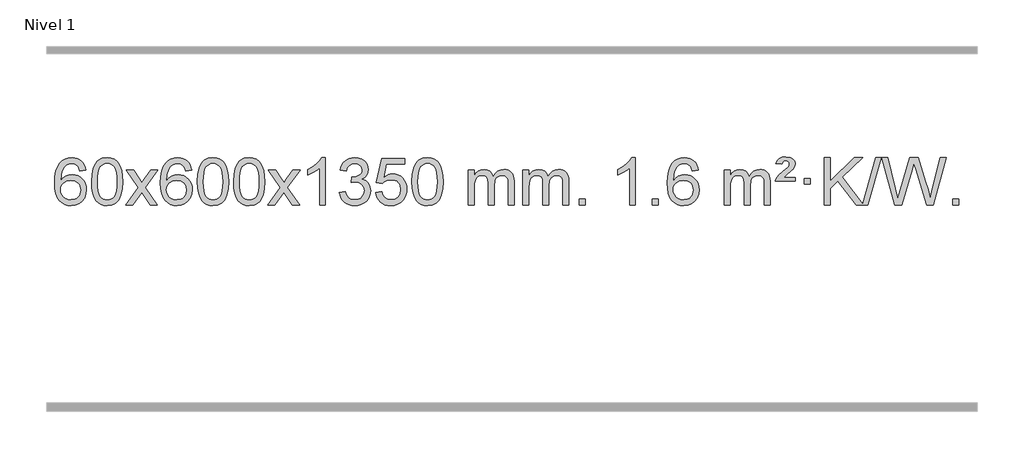
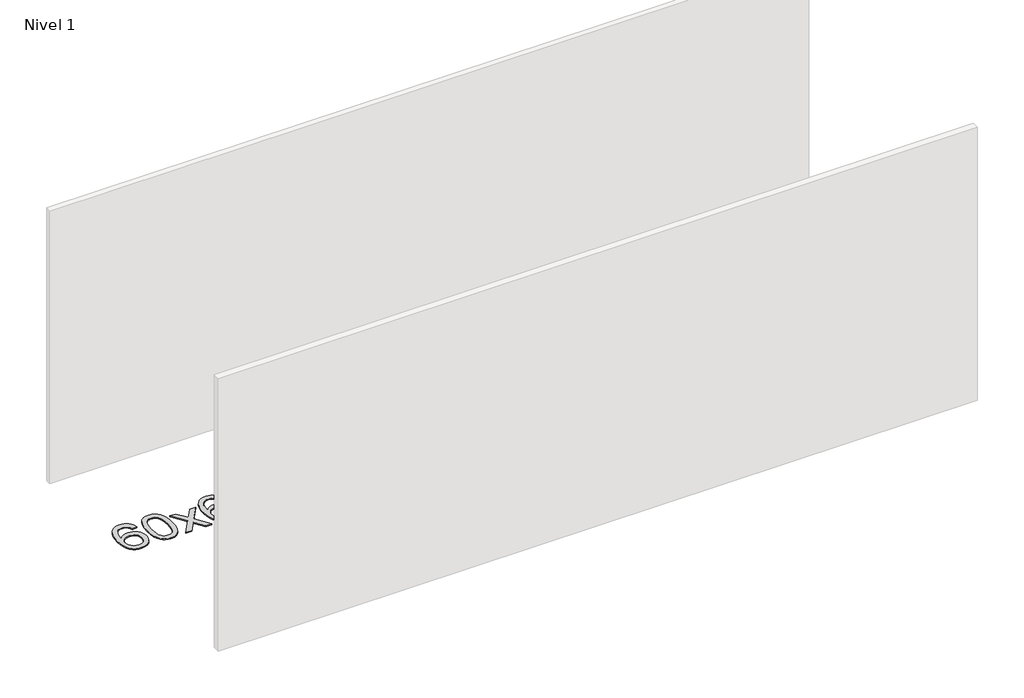
# One storey, part 17 of 21: 1 proxy.
"""IFC4 building model written with IfcOpenShell, lengths in millimetres."""

from ifc_helpers import new_model, si_unit, origin, origin_with_axes, place, context, project, spatial, polyline, outline, extrude, element, save

model = new_model("IFC4")

# Units and contexts
model_context = context("Model", 3, world=origin())
ifc_project = project(units=[si_unit("LENGTHUNIT", "METRE", prefix="MILLI")], contexts=[model_context])

# Site, building, storey
site = spatial("IfcSite", under=ifc_project)
building = spatial("IfcBuilding", under=site)
storey = spatial("IfcBuildingStorey", under=building, Name="Nivel 1", Elevation=0.0)

# Proxy
placement = place(None, origin())
element("IfcBuildingElementProxy", 1, Name="Texto de modelo 1", ObjectType="Texto de modelo 1", at=placement, inside=storey, context=model_context, shape_type="SweptSolid", body=[
    extrude(outline(polyline([(101.2495843, -6100.4890419), (51.0214292, -6106.7675613), (42.9280253, -6081.874213), (31.9896673, -6064.8780648), (9.2055091, -6049.2062918), (-18.3365896, -6043.9823675), (-41.6848336, -6047.0235253), (-63.6596514, -6056.1469988), (-82.5319978, -6075.3627017), (-97.9462534, -6101.8134171), (-108.3573138, -6139.227016), (-112.2200748, -6191.3313693), (-92.0724042, -6167.8237098), (-67.9270826, -6151.2567573), (-41.1330106, -6141.434308), (-13.0390889, -6138.1601582), (11.09397, -6140.398107), (33.3630935, -6147.1119534), (53.7682815, -6158.3016975), (72.309534, -6173.9673391), (87.7176582, -6193.1769106), (98.7234613, -6214.9984443), (105.3269431, -6239.4319401), (107.5281037, -6266.4773982), (103.3832999, -6302.4439945), (90.9488884, -6335.786366), (71.254939, -6364.0642287), (45.331521, -6384.8372987), (14.355857, -6397.602804), (-20.4948306, -6401.8579724), (-50.4373594, -6399.0375437), (-77.4797517, -6390.5762579), (-101.6220076, -6376.4741147), (-122.8641272, -6356.7311143), (-140.1821721, -6330.5133908), (-152.5522042, -6296.9870783), (-159.9742234, -6256.1521768), (-162.4482298, -6208.0086864), (-159.7013776, -6154.0342663), (-151.4608209, -6107.9693092), (-137.7265598, -6069.8138149), (-118.4985942, -6039.5677835), (-97.6580791, -6019.5243462), (-73.4943634, -6005.2076052), (-46.007447, -5996.6175606), (-15.1973299, -5993.7542124), (7.9363162, -5995.5261773), (28.8749331, -6000.8420722), (47.6185208, -6009.7018969), (64.1670792, -6022.1056515), (78.0730186, -6037.6364031), (88.8887493, -6055.8772186), (96.6142712, -6076.8280983), (101.2495843, -6100.4890419)]), holes=[polyline([(-112.2200748, -6265.6925832), (-109.313807, -6287.9494439), (-100.5950037, -6309.2007605), (-87.0569463, -6327.472233), (-69.6929161, -6340.7895612), (-48.7359051, -6348.9197533), (-24.4189053, -6351.6298173), (8.7272625, -6346.0134855), (22.642399, -6338.9930708), (34.7855705, -6329.1644901), (44.6356109, -6316.9262824), (51.6713541, -6302.6769865), (57.2999486, -6268.1451299), (51.7449305, -6234.9989621), (44.8011578, -6221.3781312), (35.0798761, -6209.725469), (22.8999164, -6200.3904634), (8.5801097, -6193.7226022), (-26.4790444, -6188.3883133), (-59.5761613, -6193.7226022), (-87.25315, -6209.725469), (-98.1761796, -6221.2248471), (-105.9783436, -6234.3858254), (-110.659642, -6249.2084042), (-112.2200748, -6265.6925832)])]), origin_with_axes(), (0.0, 0.0, 1.0), 10.0),
    extrude(outline(polyline([(151.4777394, -6197.9041943), (155.1688221, -6133.5861588), (166.2420701, -6082.2911459), (184.5871189, -6043.2343407), (196.4451819, -6028.0009605), (210.0936039, -6015.6309284), (225.5783702, -6006.0598651), (242.9454661, -5999.2233914), (283.3266464, -5993.7542124), (314.277785, -5996.991574), (341.9915619, -6006.7036586), (365.1681276, -6022.5103217), (382.5076323, -6044.0314184), (395.6042314, -6071.0830078), (406.05208, -6103.4811488), (412.8946851, -6144.6226186), (415.1755535, -6197.9041943), (411.521259, -6261.8543477), (400.5583756, -6313.0267333), (382.3236913, -6352.1203266), (370.4932195, -6367.3996922), (356.8539945, -6379.8341036), (341.3508341, -6389.4695462), (323.928556, -6396.3520052), (283.3266464, -6401.8579724), (255.6619204, -6399.4667394), (231.1364541, -6392.2930405), (209.7502474, -6380.3368757), (191.5033004, -6363.5982449), (173.9921175, -6333.3399508), (161.4841296, -6295.6381776), (153.9793369, -6250.4929255), (151.4777394, -6197.9041943)]), holes=[polyline([(201.7058944, -6197.8060924), (203.1774224, -6241.4706195), (207.5920064, -6276.8148822), (214.9496463, -6303.8388804), (225.2503421, -6322.5426142), (237.709279, -6335.2682656), (251.5416421, -6344.3580165), (266.7474312, -6349.8118671), (283.3266464, -6351.6298173), (299.9058617, -6349.8057357), (315.1116508, -6344.3334911), (328.9440138, -6335.2130833), (341.4029507, -6322.4445124), (351.7036466, -6303.7101217), (359.0612865, -6276.6922549), (363.4758705, -6241.3909118), (364.9473984, -6197.8060924), (363.5249214, -6155.2973278), (359.2574902, -6120.5753989), (352.145105, -6093.6403055), (342.1877657, -6074.4920476), (329.9372952, -6061.1440625), (315.9455167, -6051.6097875), (300.21243, -6045.8892225), (282.7380352, -6043.9823675), (266.2446591, -6045.6623619), (251.2963874, -6050.7023452), (237.89322, -6059.1023175), (226.0351571, -6070.8622786), (215.3911047, -6091.708925), (207.7882101, -6119.8151094), (203.2264734, -6155.1808319), (201.7058944, -6197.8060924)])]), origin_with_axes(), (0.0, 0.0, 1.0), 10.0),
    extrude(outline(polyline([(440.2896311, -6395.579453), (547.6130718, -6247.2494325), (446.5681504, -6100.4890419), (506.9988995, -6100.4890419), (555.7555266, -6171.122385), (578.5151594, -6204.4770192), (598.2336343, -6177.2047007), (653.7592901, -6100.4890419), (714.1900392, -6100.4890419), (608.0438209, -6247.2494325), (710.2659646, -6395.579453), (649.8352155, -6395.579453), (588.3253459, -6306.4048574), (577.0436314, -6290.1199477), (500.7203801, -6395.579453), (440.2896311, -6395.579453)])), origin_with_axes(), (0.0, 0.0, 1.0), 10.0),
    extrude(outline(polyline([(999.0778563, -6100.4890419), (948.8497012, -6106.7675613), (940.7562973, -6081.874213), (929.8179393, -6064.8780648), (907.0337811, -6049.2062918), (879.4916824, -6043.9823675), (856.1434384, -6047.0235253), (834.1686206, -6056.1469988), (815.2962742, -6075.3627017), (799.8820186, -6101.8134171), (789.4709581, -6139.227016), (785.6081972, -6191.3313693), (805.7558678, -6167.8237098), (829.9011894, -6151.2567573), (856.6952614, -6141.434308), (884.7891831, -6138.1601582), (908.922242, -6140.398107), (931.1913654, -6147.1119534), (951.5965534, -6158.3016975), (970.137806, -6173.9673391), (985.5459302, -6193.1769106), (996.5517332, -6214.9984443), (1003.155215, -6239.4319401), (1005.3563756, -6266.4773982), (1001.2115718, -6302.4439945), (988.7771604, -6335.786366), (969.0832109, -6364.0642287), (943.159793, -6384.8372987), (912.184129, -6397.602804), (877.3334413, -6401.8579724), (847.3909126, -6399.0375437), (820.3485203, -6390.5762579), (796.2062643, -6376.4741147), (774.9641448, -6356.7311143), (757.6460999, -6330.5133908), (745.2760678, -6296.9870783), (737.8540485, -6256.1521768), (735.3800421, -6208.0086864), (738.1268943, -6154.0342663), (746.367451, -6107.9693092), (760.1017122, -6069.8138149), (779.3296778, -6039.5677835), (800.1701928, -6019.5243462), (824.3339085, -6005.2076052), (851.820825, -5996.6175606), (882.6309421, -5993.7542124), (905.7645882, -5995.5261773), (926.7032051, -6000.8420722), (945.4467927, -6009.7018969), (961.9953511, -6022.1056515), (975.9012906, -6037.6364031), (986.7170212, -6055.8772186), (994.4425431, -6076.8280983), (999.0778563, -6100.4890419)]), holes=[polyline([(785.6081972, -6265.6925832), (788.514465, -6287.9494439), (797.2332682, -6309.2007605), (810.7713257, -6327.472233), (828.1353558, -6340.7895612), (849.0923668, -6348.9197533), (873.4093667, -6351.6298173), (906.5555345, -6346.0134855), (920.4706709, -6338.9930708), (932.6138425, -6329.1644901), (942.4638829, -6316.9262824), (949.499626, -6302.6769865), (955.1282206, -6268.1451299), (949.5732024, -6234.9989621), (942.6294298, -6221.3781312), (932.9081481, -6209.725469), (920.7281883, -6200.3904634), (906.4083817, -6193.7226022), (871.3492275, -6188.3883133), (838.2521107, -6193.7226022), (810.5751219, -6209.725469), (799.6520924, -6221.2248471), (791.8499284, -6234.3858254), (787.16863, -6249.2084042), (785.6081972, -6265.6925832)])]), origin_with_axes(), (0.0, 0.0, 1.0), 10.0),
    extrude(outline(polyline([(1049.3060113, -6197.9041943), (1052.997094, -6133.5861588), (1064.0703421, -6082.2911459), (1082.4153909, -6043.2343407), (1094.2734539, -6028.0009605), (1107.9218759, -6015.6309284), (1123.4066422, -6006.0598651), (1140.7737381, -5999.2233914), (1181.1549184, -5993.7542124), (1212.1060569, -5996.991574), (1239.8198339, -6006.7036586), (1262.9963996, -6022.5103217), (1280.3359043, -6044.0314184), (1293.4325033, -6071.0830078), (1303.880352, -6103.4811488), (1310.7229571, -6144.6226186), (1313.0038255, -6197.9041943), (1309.349531, -6261.8543477), (1298.3866475, -6313.0267333), (1280.1519633, -6352.1203266), (1268.3214915, -6367.3996922), (1254.6822665, -6379.8341036), (1239.1791061, -6389.4695462), (1221.7568279, -6396.3520052), (1181.1549184, -6401.8579724), (1153.4901924, -6399.4667394), (1128.964726, -6392.2930405), (1107.5785194, -6380.3368757), (1089.3315724, -6363.5982449), (1071.8203894, -6333.3399508), (1059.3124016, -6295.6381776), (1051.8076089, -6250.4929255), (1049.3060113, -6197.9041943)]), holes=[polyline([(1099.5341664, -6197.8060924), (1101.0056944, -6241.4706195), (1105.4202783, -6276.8148822), (1112.7779182, -6303.8388804), (1123.0786141, -6322.5426142), (1135.537551, -6335.2682656), (1149.369914, -6344.3580165), (1164.5757032, -6349.8118671), (1181.1549184, -6351.6298173), (1197.7341337, -6349.8057357), (1212.9399228, -6344.3334911), (1226.7722858, -6335.2130833), (1239.2312227, -6322.4445124), (1249.5319186, -6303.7101217), (1256.8895585, -6276.6922549), (1261.3041424, -6241.3909118), (1262.7756704, -6197.8060924), (1261.3531934, -6155.2973278), (1257.0857622, -6120.5753989), (1249.973377, -6093.6403055), (1240.0160376, -6074.4920476), (1227.7655672, -6061.1440625), (1213.7737886, -6051.6097875), (1198.040702, -6045.8892225), (1180.5663072, -6043.9823675), (1164.0729311, -6045.6623619), (1149.1246594, -6050.7023452), (1135.721492, -6059.1023175), (1123.863429, -6070.8622786), (1113.2193766, -6091.708925), (1105.6164821, -6119.8151094), (1101.0547453, -6155.1808319), (1099.5341664, -6197.8060924)])]), origin_with_axes(), (0.0, 0.0, 1.0), 10.0),
    extrude(outline(polyline([(1356.9534612, -6197.9041943), (1360.6445439, -6133.5861588), (1371.7177919, -6082.2911459), (1390.0628407, -6043.2343407), (1401.9209037, -6028.0009605), (1415.5693257, -6015.6309284), (1431.054092, -6006.0598651), (1448.4211879, -5999.2233914), (1488.8023682, -5993.7542124), (1519.7535068, -5996.991574), (1547.4672837, -6006.7036586), (1570.6438494, -6022.5103217), (1587.9833541, -6044.0314184), (1601.0799532, -6071.0830078), (1611.5278018, -6103.4811488), (1618.3704069, -6144.6226186), (1620.6512753, -6197.9041943), (1616.9969808, -6261.8543477), (1606.0340974, -6313.0267333), (1587.7994131, -6352.1203266), (1575.9689413, -6367.3996922), (1562.3297163, -6379.8341036), (1546.8265559, -6389.4695462), (1529.4042778, -6396.3520052), (1488.8023682, -6401.8579724), (1461.1376422, -6399.4667394), (1436.6121759, -6392.2930405), (1415.2259692, -6380.3368757), (1396.9790222, -6363.5982449), (1379.4678393, -6333.3399508), (1366.9598514, -6295.6381776), (1359.4550587, -6250.4929255), (1356.9534612, -6197.9041943)]), holes=[polyline([(1407.1816162, -6197.8060924), (1408.6531442, -6241.4706195), (1413.0677282, -6276.8148822), (1420.4253681, -6303.8388804), (1430.7260639, -6322.5426142), (1443.1850008, -6335.2682656), (1457.0173639, -6344.3580165), (1472.223153, -6349.8118671), (1488.8023682, -6351.6298173), (1505.3815835, -6349.8057357), (1520.5873726, -6344.3334911), (1534.4197356, -6335.2130833), (1546.8786725, -6322.4445124), (1557.1793684, -6303.7101217), (1564.5370083, -6276.6922549), (1568.9515923, -6241.3909118), (1570.4231202, -6197.8060924), (1569.0006432, -6155.2973278), (1564.733212, -6120.5753989), (1557.6208268, -6093.6403055), (1547.6634875, -6074.4920476), (1535.413017, -6061.1440625), (1521.4212385, -6051.6097875), (1505.6881518, -6045.8892225), (1488.213757, -6043.9823675), (1471.7203809, -6045.6623619), (1456.7721092, -6050.7023452), (1443.3689418, -6059.1023175), (1431.5108789, -6070.8622786), (1420.8668265, -6091.708925), (1413.2639319, -6119.8151094), (1408.7021952, -6155.1808319), (1407.1816162, -6197.8060924)])]), origin_with_axes(), (0.0, 0.0, 1.0), 10.0),
    extrude(outline(polyline([(1645.7653528, -6395.579453), (1753.0887936, -6247.2494325), (1652.0438722, -6100.4890419), (1712.4746213, -6100.4890419), (1761.2312484, -6171.122385), (1783.9908812, -6204.4770192), (1803.7093561, -6177.2047007), (1859.2350119, -6100.4890419), (1919.665761, -6100.4890419), (1813.5195426, -6247.2494325), (1915.7416864, -6395.579453), (1855.3109373, -6395.579453), (1793.8010677, -6306.4048574), (1782.5193532, -6290.1199477), (1706.1961019, -6395.579453), (1645.7653528, -6395.579453)])), origin_with_axes(), (0.0, 0.0, 1.0), 10.0),
    extrude(outline(polyline([(2135.4898648, -6395.579453), (2085.2617098, -6395.579453), (2085.2617098, -6082.4382987), (2064.292436, -6099.3976587), (2037.682305, -6116.3324932), (1984.8053996, -6141.6918254), (1984.8053996, -6094.2105225), (2024.2546122, -6072.7507395), (2058.4308496, -6047.219729), (2085.3720743, -6020.0700378), (2103.1162492, -5993.7542124), (2135.4898648, -5993.7542124), (2135.4898648, -6395.579453)])), origin_with_axes(), (0.0, 0.0, 1.0), 10.0),
    extrude(outline(polyline([(2254.7817331, -6288.8446235), (2305.0098882, -6282.5661041), (2316.2548145, -6314.1303793), (2332.7236652, -6335.4430095), (2355.2257805, -6347.5831154), (2384.570501, -6351.6298173), (2419.0042558, -6346.0625364), (2433.2780772, -6339.1034354), (2445.5898613, -6329.3606939), (2462.5860095, -6304.4428201), (2468.2513922, -6274.2274455), (2462.6350604, -6245.5449126), (2445.786065, -6222.2825078), (2420.27958, -6206.8682522), (2388.6907794, -6201.730167), (2353.4722097, -6207.2238715), (2359.064016, -6156.9957164), (2367.108369, -6157.5843276), (2397.2011162, -6153.979084), (2424.1055528, -6143.1633534), (2435.1788008, -6134.9841103), (2443.0882637, -6124.8673555), (2447.8339415, -6112.8130888), (2449.415834, -6098.8213102), (2444.8295718, -6077.1285352), (2431.0707852, -6059.5315131), (2410.076986, -6047.8696539), (2383.7856861, -6043.9823675), (2357.4453352, -6047.9064421), (2335.9119758, -6059.6786659), (2320.1911519, -6079.299039), (2311.2884076, -6106.7675613), (2261.0602525, -6100.4890419), (2267.0138095, -6076.5092672), (2275.8491087, -6055.3867093), (2287.5661503, -6037.1213683), (2302.1649341, -6021.713244), (2319.1856078, -6009.4811677), (2338.1683187, -6000.7439703), (2359.113067, -5995.5016519), (2382.0198525, -5993.7542124), (2413.5963904, -5997.2000404), (2442.5977544, -6007.5375245), (2467.0496443, -6023.8469596), (2484.9777602, -6045.2086408), (2495.9774319, -6069.8199463), (2499.6439891, -6095.8782543), (2496.1613729, -6120.1584659), (2485.7135242, -6142.1823347), (2468.4475959, -6160.9443165), (2444.5107408, -6175.4388671), (2475.9523886, -6188.1430586), (2499.2515817, -6209.77452), (2513.6725559, -6239.1560286), (2518.4795473, -6275.1103623), (2516.0760516, -6300.5923218), (2508.8655645, -6324.0631931), (2496.848086, -6345.5229762), (2480.023616, -6364.971671), (2459.5264575, -6381.1094278), (2436.4909133, -6392.636397), (2410.9169832, -6399.5525785), (2382.8046674, -6401.8579724), (2357.3962843, -6399.8898037), (2334.2442441, -6393.9852977), (2313.3485468, -6384.1444543), (2294.7091923, -6370.3672736), (2279.0803389, -6353.4630959), (2267.2161446, -6334.2412617), (2259.1166093, -6312.7017708), (2254.7817331, -6288.8446235)])), origin_with_axes(), (0.0, 0.0, 1.0), 10.0),
    extrude(outline(polyline([(2562.429183, -6288.8446235), (2612.657338, -6282.5661041), (2621.8789134, -6312.7201649), (2637.9676193, -6334.3148381), (2660.8498794, -6347.3010725), (2690.4521173, -6351.6298173), (2709.581981, -6350.1245668), (2726.4555019, -6345.6088153), (2741.0726798, -6338.0825628), (2753.4335149, -6327.5458094), (2763.2620955, -6314.519721), (2770.2825102, -6299.5254641), (2775.898842, -6263.6324441), (2770.6381295, -6229.8363514), (2764.0622388, -6215.9181493), (2754.8559919, -6203.9865099), (2742.9887319, -6194.4154467), (2728.4298019, -6187.5789729), (2691.2369322, -6182.1097939), (2666.8708814, -6184.2925604), (2647.1401437, -6190.8408599), (2631.3825316, -6200.8717757), (2618.9358574, -6213.5023908), (2568.7077023, -6207.2238715), (2612.657338, -6000.0327318), (2807.291439, -6000.0327318), (2807.291439, -6050.2608869), (2653.2715103, -6050.2608869), (2631.7872018, -6160.919791), (2649.5129826, -6148.2155994), (2667.667959, -6139.1411769), (2686.2521312, -6133.6965234), (2705.265499, -6131.8816388), (2729.726586, -6134.1318504), (2752.1949788, -6140.882485), (2772.6706775, -6152.1335427), (2791.1536821, -6167.8850234), (2806.4545074, -6187.1743027), (2817.3836684, -6209.038756), (2823.9411649, -6233.4783832), (2826.1269971, -6260.4931844), (2824.1588284, -6286.5147042), (2818.2543224, -6310.7213394), (2808.413479, -6333.1130902), (2794.6362983, -6353.6899565), (2773.7651265, -6374.7634634), (2749.4113384, -6389.8159684), (2721.5749341, -6398.8474714), (2690.2559136, -6401.8579724), (2664.3355613, -6399.9235262), (2640.922938, -6394.1201877), (2620.0180436, -6384.447957), (2601.6208782, -6370.9068338), (2586.3139215, -6354.1712688), (2574.6796534, -6334.915712), (2566.7180739, -6313.1401636), (2562.429183, -6288.8446235)])), origin_with_axes(), (0.0, 0.0, 1.0), 10.0),
    extrude(outline(polyline([(2870.0766328, -6197.9041943), (2873.7677155, -6133.5861588), (2884.8409635, -6082.2911459), (2903.1860124, -6043.2343407), (2915.0440753, -6028.0009605), (2928.6924974, -6015.6309284), (2944.1772637, -6006.0598651), (2961.5443595, -5999.2233914), (3001.9255399, -5993.7542124), (3032.8766784, -5996.991574), (3060.5904554, -6006.7036586), (3083.7670211, -6022.5103217), (3101.1065258, -6044.0314184), (3114.2031248, -6071.0830078), (3124.6509735, -6103.4811488), (3131.4935786, -6144.6226186), (3133.7744469, -6197.9041943), (3130.1201525, -6261.8543477), (3119.157269, -6313.0267333), (3100.9225848, -6352.1203266), (3089.0921129, -6367.3996922), (3075.452888, -6379.8341036), (3059.9497276, -6389.4695462), (3042.5274494, -6396.3520052), (3001.9255399, -6401.8579724), (2974.2608138, -6399.4667394), (2949.7353475, -6392.2930405), (2928.3491408, -6380.3368757), (2910.1021939, -6363.5982449), (2892.5910109, -6333.3399508), (2880.0830231, -6295.6381776), (2872.5782304, -6250.4929255), (2870.0766328, -6197.9041943)]), holes=[polyline([(2920.3047879, -6197.8060924), (2921.7763158, -6241.4706195), (2926.1908998, -6276.8148822), (2933.5485397, -6303.8388804), (2943.8492356, -6322.5426142), (2956.3081725, -6335.2682656), (2970.1405355, -6344.3580165), (2985.3463246, -6349.8118671), (3001.9255399, -6351.6298173), (3018.5047551, -6349.8057357), (3033.7105442, -6344.3334911), (3047.5429073, -6335.2130833), (3060.0018442, -6322.4445124), (3070.30254, -6303.7101217), (3077.6601799, -6276.6922549), (3082.0747639, -6241.3909118), (3083.5462919, -6197.8060924), (3082.1238148, -6155.2973278), (3077.8563837, -6120.5753989), (3070.7439984, -6093.6403055), (3060.7866591, -6074.4920476), (3048.5361887, -6061.1440625), (3034.5444101, -6051.6097875), (3018.8113234, -6045.8892225), (3001.3369287, -6043.9823675), (2984.8435526, -6045.6623619), (2969.8952808, -6050.7023452), (2956.4921135, -6059.1023175), (2944.6340505, -6070.8622786), (2933.9899981, -6091.708925), (2926.3871035, -6119.8151094), (2921.8253668, -6155.1808319), (2920.3047879, -6197.8060924)])]), origin_with_axes(), (0.0, 0.0, 1.0), 10.0),
    extrude(outline(polyline([(3347.244106, -6395.579453), (3347.244106, -6100.4890419), (3397.4722611, -6100.4890419), (3397.4722611, -6149.0494653), (3412.5799483, -6126.7435537), (3432.0041177, -6109.2691589), (3455.0825815, -6097.9751816), (3481.1531522, -6094.2105225), (3509.0876584, -6098.048758), (3531.4794092, -6109.5634645), (3548.2057772, -6127.9943524), (3559.1441352, -6152.5811324), (3577.4523959, -6127.0439906), (3598.3358304, -6108.803175), (3621.794439, -6097.8586857), (3647.8282215, -6094.2105225), (3667.9360383, -6095.7280358), (3685.585177, -6100.2805755), (3700.7756377, -6107.8681416), (3713.5074204, -6118.4907342), (3723.5720587, -6132.2709806), (3730.761086, -6149.3315082), (3735.0745024, -6169.6723168), (3736.5123078, -6193.2934066), (3736.5123078, -6395.579453), (3686.2841528, -6395.579453), (3686.2841528, -6214.875817), (3685.1191931, -6189.8230531), (3681.6243142, -6172.9372695), (3675.0760146, -6161.3735121), (3664.7507933, -6152.2868268), (3651.4702533, -6146.4007149), (3636.0559977, -6144.4386776), (3608.8449928, -6149.4663982), (3586.6617085, -6164.54956), (3578.0563355, -6176.1194488), (3571.9096405, -6190.7182326), (3566.9922845, -6229.0024856), (3566.9922845, -6395.579453), (3516.7641294, -6395.579453), (3516.7641294, -6209.2840106), (3513.8578616, -6180.8835206), (3505.1390583, -6160.6254854), (3489.7983791, -6148.4853796), (3467.0264836, -6144.4386776), (3447.6758907, -6147.1364789), (3429.8458767, -6155.2298828), (3415.1305968, -6168.5226856), (3405.1242066, -6186.8186835), (3399.3852475, -6212.2025411), (3397.4722611, -6246.7589232), (3397.4722611, -6395.579453), (3347.244106, -6395.579453)])), origin_with_axes(), (0.0, 0.0, 1.0), 10.0),
    extrude(outline(polyline([(3811.8545404, -6395.579453), (3811.8545404, -6100.4890419), (3862.0826955, -6100.4890419), (3862.0826955, -6149.0494653), (3877.1903828, -6126.7435537), (3896.6145521, -6109.2691589), (3919.693016, -6097.9751816), (3945.7635867, -6094.2105225), (3973.6980929, -6098.048758), (3996.0898436, -6109.5634645), (4012.8162117, -6127.9943524), (4023.7545697, -6152.5811324), (4042.0628303, -6127.0439906), (4062.9462649, -6108.803175), (4086.4048734, -6097.8586857), (4112.438656, -6094.2105225), (4132.5464727, -6095.7280358), (4150.1956114, -6100.2805755), (4165.3860721, -6107.8681416), (4178.1178548, -6118.4907342), (4188.1824931, -6132.2709806), (4195.3715204, -6149.3315082), (4199.6849368, -6169.6723168), (4201.1227423, -6193.2934066), (4201.1227423, -6395.579453), (4150.8945872, -6395.579453), (4150.8945872, -6214.875817), (4149.7296276, -6189.8230531), (4146.2347486, -6172.9372695), (4139.6864491, -6161.3735121), (4129.3612278, -6152.2868268), (4116.0806877, -6146.4007149), (4100.6664321, -6144.4386776), (4073.4554272, -6149.4663982), (4051.2721429, -6164.54956), (4042.6667699, -6176.1194488), (4036.5200749, -6190.7182326), (4031.6027189, -6229.0024856), (4031.6027189, -6395.579453), (3981.3745638, -6395.579453), (3981.3745638, -6209.2840106), (3978.4682961, -6180.8835206), (3969.7494928, -6160.6254854), (3954.4088136, -6148.4853796), (3931.6369181, -6144.4386776), (3912.2863251, -6147.1364789), (3894.4563111, -6155.2298828), (3879.7410313, -6168.5226856), (3869.734641, -6186.8186835), (3863.9956819, -6212.2025411), (3862.0826955, -6246.7589232), (3862.0826955, -6395.579453), (3811.8545404, -6395.579453)])), origin_with_axes(), (0.0, 0.0, 1.0), 10.0),
    extrude(outline(polyline([(4289.0220137, -6395.579453), (4289.0220137, -6345.3512979), (4339.2501687, -6345.3512979), (4339.2501687, -6395.579453), (4289.0220137, -6395.579453)])), origin_with_axes(), (0.0, 0.0, 1.0), 10.0),
    extrude(outline(polyline([(4766.1894869, -6395.579453), (4715.9613318, -6395.579453), (4715.9613318, -6082.4382987), (4694.9920581, -6099.3976587), (4668.3819271, -6116.3324932), (4615.5050216, -6141.6918254), (4615.5050216, -6094.2105225), (4654.9542343, -6072.7507395), (4689.1304716, -6047.219729), (4716.0716964, -6020.0700378), (4733.8158713, -5993.7542124), (4766.1894869, -5993.7542124), (4766.1894869, -6395.579453)])), origin_with_axes(), (0.0, 0.0, 1.0), 10.0),
    extrude(outline(polyline([(4910.5954327, -6395.579453), (4910.5954327, -6345.3512979), (4960.8235878, -6345.3512979), (4960.8235878, -6395.579453), (4910.5954327, -6395.579453)])), origin_with_axes(), (0.0, 0.0, 1.0), 10.0),
    extrude(outline(polyline([(5299.8636345, -6100.4890419), (5249.6354795, -6106.7675613), (5241.5420756, -6081.874213), (5230.6037176, -6064.8780648), (5207.8195593, -6049.2062918), (5180.2774606, -6043.9823675), (5156.9292167, -6047.0235253), (5134.9543988, -6056.1469988), (5116.0820525, -6075.3627017), (5100.6677969, -6101.8134171), (5090.2567364, -6139.227016), (5086.3939755, -6191.3313693), (5106.5416461, -6167.8237098), (5130.6869677, -6151.2567573), (5157.4810397, -6141.434308), (5185.5749614, -6138.1601582), (5209.7080203, -6140.398107), (5231.9771437, -6147.1119534), (5252.3823317, -6158.3016975), (5270.9235843, -6173.9673391), (5286.3317085, -6193.1769106), (5297.3375115, -6214.9984443), (5303.9409933, -6239.4319401), (5306.1421539, -6266.4773982), (5301.9973501, -6302.4439945), (5289.5629387, -6335.786366), (5269.8689892, -6364.0642287), (5243.9455713, -6384.8372987), (5212.9699073, -6397.602804), (5178.1192196, -6401.8579724), (5148.1766909, -6399.0375437), (5121.1342985, -6390.5762579), (5096.9920426, -6376.4741147), (5075.7499231, -6356.7311143), (5058.4318782, -6330.5133908), (5046.0618461, -6296.9870783), (5038.6398268, -6256.1521768), (5036.1658204, -6208.0086864), (5038.9126726, -6154.0342663), (5047.1532293, -6107.9693092), (5060.8874905, -6069.8138149), (5080.1154561, -6039.5677835), (5100.9559711, -6019.5243462), (5125.1196868, -6005.2076052), (5152.6066032, -5996.6175606), (5183.4167203, -5993.7542124), (5206.5503665, -5995.5261773), (5227.4889834, -6000.8420722), (5246.232571, -6009.7018969), (5262.7811294, -6022.1056515), (5276.6870688, -6037.6364031), (5287.5027995, -6055.8772186), (5295.2283214, -6076.8280983), (5299.8636345, -6100.4890419)]), holes=[polyline([(5086.3939755, -6265.6925832), (5089.3002432, -6287.9494439), (5098.0190465, -6309.2007605), (5111.5571039, -6327.472233), (5128.9211341, -6340.7895612), (5149.8781451, -6348.9197533), (5174.195145, -6351.6298173), (5207.3413128, -6346.0134855), (5221.2564492, -6338.9930708), (5233.3996207, -6329.1644901), (5243.2496612, -6316.9262824), (5250.2854043, -6302.6769865), (5255.9139988, -6268.1451299), (5250.3589807, -6234.9989621), (5243.4152081, -6221.3781312), (5233.6939263, -6209.725469), (5221.5139666, -6200.3904634), (5207.19416, -6193.7226022), (5172.1350058, -6188.3883133), (5139.037889, -6193.7226022), (5111.3609002, -6209.725469), (5100.4378706, -6221.2248471), (5092.6357067, -6234.3858254), (5087.9544083, -6249.2084042), (5086.3939755, -6265.6925832)])]), origin_with_axes(), (0.0, 0.0, 1.0), 10.0),
    extrude(outline(polyline([(5519.611813, -6395.579453), (5519.611813, -6100.4890419), (5569.8399681, -6100.4890419), (5569.8399681, -6149.0494653), (5584.9476553, -6126.7435537), (5604.3718247, -6109.2691589), (5627.4502885, -6097.9751816), (5653.5208592, -6094.2105225), (5681.4553654, -6098.048758), (5703.8471162, -6109.5634645), (5720.5734842, -6127.9943524), (5731.5118422, -6152.5811324), (5749.8201028, -6127.0439906), (5770.7035374, -6108.803175), (5794.162146, -6097.8586857), (5820.1959285, -6094.2105225), (5840.3037452, -6095.7280358), (5857.952884, -6100.2805755), (5873.1433447, -6107.8681416), (5885.8751274, -6118.4907342), (5895.9397656, -6132.2709806), (5903.128793, -6149.3315082), (5907.4422094, -6169.6723168), (5908.8800148, -6193.2934066), (5908.8800148, -6395.579453), (5858.6518597, -6395.579453), (5858.6518597, -6214.875817), (5857.4869001, -6189.8230531), (5853.9920211, -6172.9372695), (5847.4437216, -6161.3735121), (5837.1185003, -6152.2868268), (5823.8379603, -6146.4007149), (5808.4237047, -6144.4386776), (5781.2126998, -6149.4663982), (5759.0294155, -6164.54956), (5750.4240424, -6176.1194488), (5744.2773474, -6190.7182326), (5739.3599914, -6229.0024856), (5739.3599914, -6395.579453), (5689.1318364, -6395.579453), (5689.1318364, -6209.2840106), (5686.2255686, -6180.8835206), (5677.5067653, -6160.6254854), (5662.1660861, -6148.4853796), (5639.3941906, -6144.4386776), (5620.0435977, -6147.1364789), (5602.2135836, -6155.2298828), (5587.4983038, -6168.5226856), (5577.4919136, -6186.8186835), (5571.7529544, -6212.2025411), (5569.8399681, -6246.7589232), (5569.8399681, -6395.579453), (5519.611813, -6395.579453)])), origin_with_axes(), (0.0, 0.0, 1.0), 10.0),
    extrude(outline(polyline([(5952.8296505, -6194.6668327), (5956.6556233, -6178.8479069), (5964.9942818, -6162.9799302), (5986.5031158, -6137.8413272), (6018.4597984, -6110.1030247), (6062.6056379, -6072.726214), (6069.7425486, -6061.1992448), (6072.1215188, -6049.3779701), (6070.2330579, -6037.2869152), (6064.5676752, -6027.5012541), (6055.198947, -6021.026531), (6042.2004499, -6018.8682899), (6029.7660384, -6020.4869707), (6020.9123451, -6025.343013), (6014.4866729, -6034.8098431), (6009.336325, -6050.2608869), (5959.1081699, -6043.9823675), (5969.948426, -6018.7701881), (5986.5766922, -6001.2099542), (6010.3418691, -5990.9092583), (6042.5928573, -5987.475693), (6078.3755127, -5991.6082341), (6103.1217083, -6004.0058573), (6117.5426825, -6022.3386434), (6122.3496739, -6044.2766731), (6118.253921, -6067.1834586), (6105.9666624, -6088.8149199), (6085.438847, -6108.6314968), (6048.9694786, -6136.6886303), (6023.3648917, -6163.2742358), (6122.3496739, -6163.2742358), (6122.3496739, -6194.6668327), (5952.8296505, -6194.6668327)])), origin_with_axes(), (0.0, 0.0, 1.0), 10.0),
    extrude(outline(polyline([(6197.6919065, -6219.7809102), (6197.6919065, -6169.5527552), (6247.9200616, -6169.5527552), (6247.9200616, -6219.7809102), (6197.6919065, -6219.7809102)])), origin_with_axes(), (0.0, 0.0, 1.0), 10.0),
    extrude(outline(polyline([(6638.5616895, -6395.579453), (6485.1303721, -6192.9009991), (6417.440085, -6257.4520265), (6417.440085, -6395.579453), (6367.2119299, -6395.579453), (6367.2119299, -5993.7542124), (6417.440085, -5993.7542124), (6417.440085, -6190.4484525), (6623.4540023, -5993.7542124), (6693.6949379, -5993.7542124), (6520.7413492, -6158.9577537), (6695.3949591, -6389.5349332), (6806.7082868, -5993.7542124), (6852.0313486, -5993.7542124), (6739.0179997, -6395.579453), (6699.9734572, -6395.579453), (6693.6949379, -6395.579453), (6638.5616895, -6395.579453)])), origin_with_axes(), (0.0, 0.0, 1.0), 10.0),
    extrude(outline(polyline([(6966.5162255, -6395.579453), (6856.9364419, -5993.7542124), (6908.7342268, -5993.7542124), (6972.3042355, -6257.844434), (6991.9246086, -6339.3670841), (7012.9184078, -6267.2622131), (7092.5771225, -5993.7542124), (7167.2326421, -5993.7542124), (7225.1127426, -6192.0180823), (7249.9079891, -6265.5944814), (7268.1794615, -6339.3670841), (7287.2112234, -6260.1988788), (7351.3698434, -5993.7542124), (7403.1676283, -5993.7542124), (7293.4897428, -6395.579453), (7239.8280224, -6395.579453), (7143.4919906, -6085.5775584), (7130.0520351, -6042.3146358), (7114.9443478, -6094.4067263), (7027.1431783, -6395.579453), (6966.5162255, -6395.579453)])), origin_with_axes(), (0.0, 0.0, 1.0), 10.0),
    extrude(outline(polyline([(7459.6743028, -6395.579453), (7459.6743028, -6345.3512979), (7509.9024578, -6345.3512979), (7509.9024578, -6395.579453), (7459.6743028, -6395.579453)])), origin_with_axes(), (0.0, 0.0, 1.0), 10.0),
])

save(model, "model.ifc")
